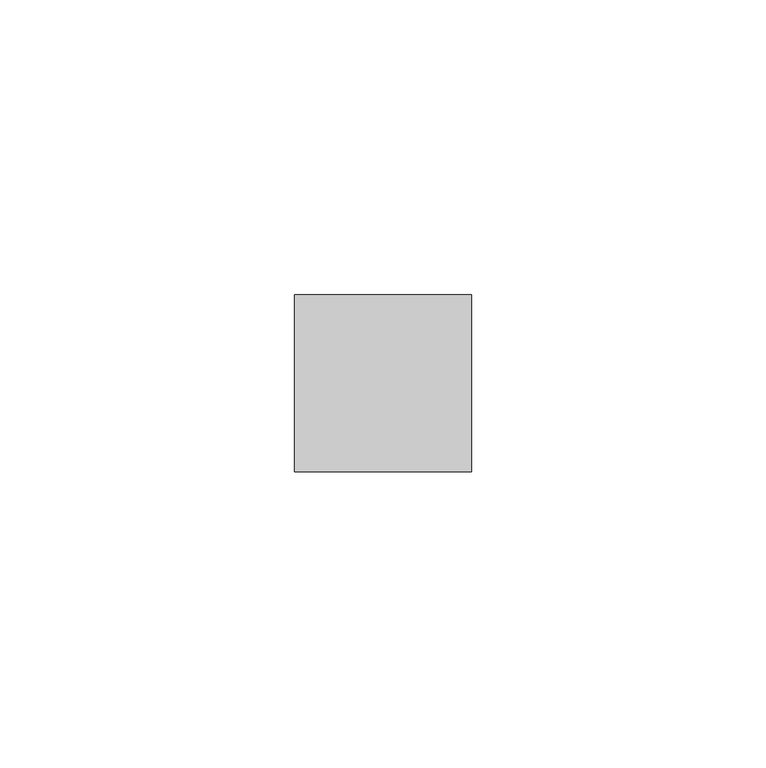
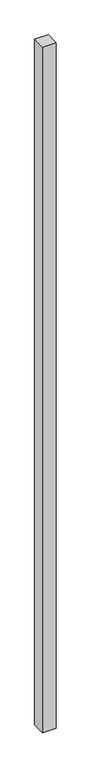
"""IFC4 building model written with IfcOpenShell, lengths in millimetres: member geometry."""

from ifc_helpers import new_model, si_unit, frame, origin, place, context, project, spatial, polyline, outline, extrude, source, transform, mapped, element, save


def member_ded72f51(model_context):
    return source(origin(), model_context, "Body", "SweptSolid", [
        extrude(outline(polyline([(15.0, 15.0), (15.0, -15.0), (-15.0, -15.0), (-15.0, 15.0), (15.0, 15.0)])), frame((0.0, 0.0, -1600.0), z_axis=(0.0, 0.0, 1.0), x_axis=(1.0, 0.0, 0.0)), (0.0, 0.0, 1.0), 1600.0),
    ])


if __name__ == "__main__":
    model = new_model("IFC4")
    model_context = context("Model", 3, world=origin())
    ifc_project = project(units=[si_unit("LENGTHUNIT", "METRE", prefix="MILLI")], contexts=[model_context])
    site = spatial("IfcSite", under=ifc_project)
    building = spatial("IfcBuilding", under=site)
    placement = place(None, origin())
    member_shape = member_ded72f51(model_context)
    element("IfcMember", 1, at=placement, inside=building, context=model_context, shape_type="MappedRepresentation", body=[
        mapped(member_shape, transform((0.0, 0.0, 0.0), x_axis=(1.0, 0.0, 0.0), y_axis=(0.0, 1.0, 0.0), z_axis=(0.0, 0.0, 1.0))),
    ])
    save(model, "model.ifc")
